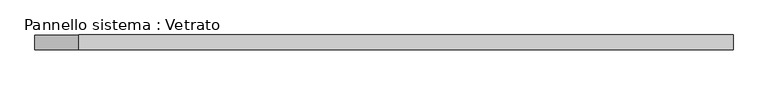
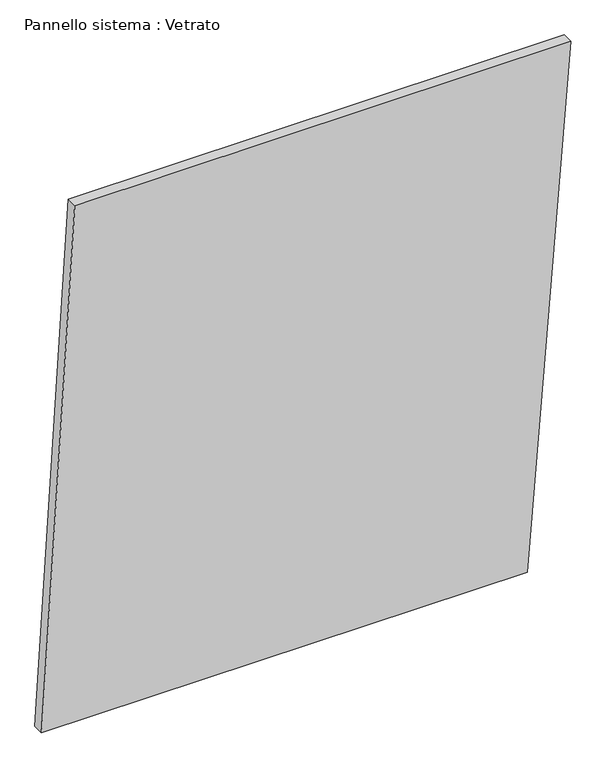
"""IFC4 building model written with IfcOpenShell, lengths in millimetres: plate geometry, Pannello sistema : Vetrato."""

from ifc_helpers import new_model, si_unit, frame, origin, place, context, project, spatial, polyline, outline, extrude, source, transform, mapped, element, save


def pannello_sistema_vetrato_da9297e0(model_context):
    return source(origin(), model_context, "Body", "SweptSolid", [
        extrude(outline(polyline([(0.8404239, -707.0879537), (0.0, 590.9176303), (1458.3716925, 707.0879537), (1458.3716925, -618.1753375), (0.8404239, -707.0879537)])), frame((0.0, -15.0, 0.0), z_axis=(0.0, 1.0, 0.0), x_axis=(0.0, 0.0, 1.0)), (0.0, 0.0, 1.0), 30.0),
    ])


if __name__ == "__main__":
    model = new_model("IFC4")
    model_context = context("Model", 3, world=origin())
    ifc_project = project(units=[si_unit("LENGTHUNIT", "METRE", prefix="MILLI")], contexts=[model_context])
    site = spatial("IfcSite", under=ifc_project)
    building = spatial("IfcBuilding", under=site)
    placement = place(None, origin())
    pannello_sistema_vetrato_shape = pannello_sistema_vetrato_da9297e0(model_context)
    element("IfcPlate", 1, ObjectType="Pannello sistema : Vetrato", at=placement, inside=building, context=model_context, shape_type="MappedRepresentation", body=[
        mapped(pannello_sistema_vetrato_shape, transform((0.0, 0.0, 0.0), x_axis=(1.0, 0.0, 0.0), y_axis=(0.0, 1.0, 0.0), z_axis=(0.0, 0.0, 1.0))),
    ])
    save(model, "model.ifc")
